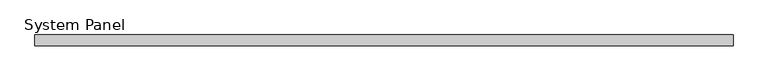
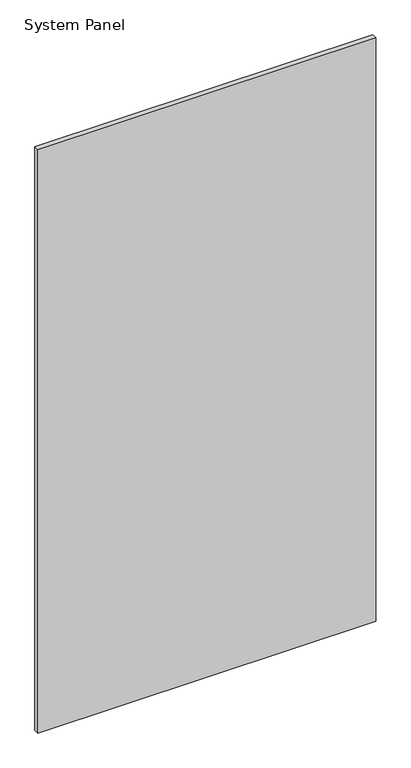
"""IFC4 building model written with IfcOpenShell, lengths in millimetres: plate geometry, System Panel."""

from ifc_helpers import new_model, si_unit, origin, origin_with_axes, place, context, project, spatial, polyline, outline, extrude, source, transform, mapped, element, save


def system_panel_8b4ddef8(model_context):
    return source(origin(), model_context, "Body", "SweptSolid", [
        extrude(outline(polyline([(657.5125509, -10.0), (-657.5125509, -10.0), (-657.5125509, 10.0), (657.5125509, 10.0), (657.5125509, -10.0)])), origin_with_axes(), (0.0, 0.0, 1.0), 2400.0),
    ])


if __name__ == "__main__":
    model = new_model("IFC4")
    model_context = context("Model", 3, world=origin())
    ifc_project = project(units=[si_unit("LENGTHUNIT", "METRE", prefix="MILLI")], contexts=[model_context])
    site = spatial("IfcSite", under=ifc_project)
    building = spatial("IfcBuilding", under=site)
    placement = place(None, origin())
    system_panel_shape = system_panel_8b4ddef8(model_context)
    element("IfcPlate", 1, ObjectType="System Panel", at=placement, inside=building, context=model_context, shape_type="MappedRepresentation", body=[
        mapped(system_panel_shape, transform((0.0, 0.0, 0.0), x_axis=(1.0, 0.0, 0.0), y_axis=(0.0, 1.0, 0.0), z_axis=(0.0, 0.0, 1.0))),
    ])
    save(model, "model.ifc")
